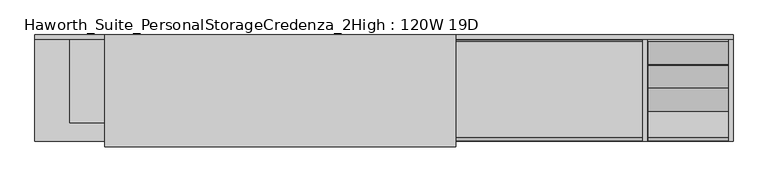
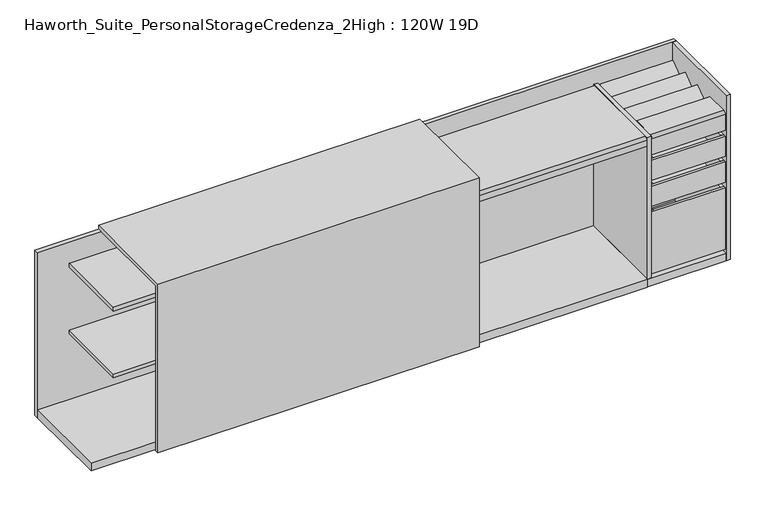
"""IFC4 building model written with IfcOpenShell, lengths in millimetres: furniture geometry, Haworth_Suite_PersonalStorageCredenza_2High : 120W 19D."""

from ifc_helpers import new_model, si_unit, point, frame, frame_2d, origin, origin_with_axes, place, context, project, spatial, polyline, circle_curve, trimmed, segment, composite_curve, outline, extrude, source, transform, mapped, element, save


def haworth_suite_personalstoragecredenza_2high_120w_19d_945271b1(model_context):
    return source(origin(), model_context, "Body", "SweptSolid", [
        extrude(outline(polyline([(1171.575, -582.6125), (1171.575, -201.6125), (1184.275, -201.6125), (1184.275, -582.6125), (1171.575, -582.6125)])), frame((0.0, 0.0, 527.05), z_axis=(0.0, 0.0, 1.0), x_axis=(1.0, 0.0, 0.0)), (0.0, 0.0, 1.0), 101.6),
        extrude(outline(polyline([(835.025, -201.6125), (847.725, -201.6125), (847.725, -582.6125), (835.025, -582.6125), (835.025, -201.6125)])), frame((0.0, 0.0, 527.05), z_axis=(0.0, 0.0, 1.0), x_axis=(1.0, 0.0, 0.0)), (0.0, 0.0, 1.0), 101.6),
        extrude(outline(polyline([(835.025, -201.6125), (835.025, -188.9125), (1184.275, -188.9125), (1184.275, -201.6125), (835.025, -201.6125)])), frame((0.0, 0.0, 527.05), z_axis=(0.0, 0.0, 1.0), x_axis=(1.0, 0.0, 0.0)), (0.0, 0.0, 1.0), 101.6),
        extrude(outline(polyline([(835.025, -595.3125), (835.025, -582.6125), (1184.275, -582.6125), (1184.275, -595.3125), (835.025, -595.3125)])), frame((0.0, 0.0, 527.05), z_axis=(0.0, 0.0, 1.0), x_axis=(1.0, 0.0, 0.0)), (0.0, 0.0, 1.0), 101.6),
        extrude(outline(polyline([(847.725, -582.6125), (847.725, -201.6125), (1171.575, -201.6125), (1171.575, -582.6125), (847.725, -582.6125)])), frame((0.0, 0.0, 527.05), z_axis=(0.0, 0.0, 1.0), x_axis=(1.0, 0.0, 0.0)), (0.0, 0.0, 1.0), 12.7),
        extrude(outline(polyline([(-163.5125, 749.3), (-162.3785714, 748.1660714), (-263.9785714, 671.9660714), (-265.1125, 673.1), (-163.5125, 749.3)])), frame((835.025, 0.0, 0.0), z_axis=(1.0, 0.0, 0.0), x_axis=(0.0, 1.0, 0.0)), (0.0, 0.0, 1.0), 349.25),
        extrude(outline(polyline([(-366.7125, 749.3), (-365.5785714, 748.1660714), (-467.1785714, 671.9660714), (-468.3125, 673.1), (-366.7125, 749.3)])), frame((835.025, 0.0, 0.0), z_axis=(1.0, 0.0, 0.0), x_axis=(0.0, 1.0, 0.0)), (0.0, 0.0, 1.0), 349.25),
        extrude(outline(polyline([(0.0, -127.0), (0.0, 0.0), (349.25, 0.0), (349.25, -127.0), (0.0, -127.0)])), frame((835.025, -264.16, 748.03), z_axis=(0.0, -0.5999999999999731, 0.8000000000000203), x_axis=(1.0, 0.0, 0.0)), (0.0, 0.0, 1.0), 1.5875),
        extrude(outline(polyline([(835.025, -593.725), (835.025, -163.5125), (1184.275, -163.5125), (1184.275, -593.725), (835.025, -593.725)])), frame((0.0, 0.0, 657.225), z_axis=(0.0, 0.0, 1.0), x_axis=(1.0, 0.0, 0.0)), (0.0, 0.0, 1.0), 15.875),
        extrude(outline(composite_curve([segment(trimmed(circle_curve(frame_2d((-582.6125, 738.1875)), 12.7), [point((-595.3125, 738.1875))], [point((-582.6125, 750.8875))], False, "CARTESIAN"), True, "CONTINUOUS"), segment(polyline([(-582.6125, 750.8875), (-468.3125, 750.8875), (-468.3125, 749.3), (-582.6125, 749.3)]), True, "CONTINUOUS"), segment(trimmed(circle_curve(frame_2d((-582.6125, 738.1875)), 11.1125), [point((-582.6125, 749.3))], [point((-593.725, 738.1875))], True, "CARTESIAN"), True, "CONTINUOUS"), segment(polyline([(-593.725, 738.1875), (-593.725, 657.225), (-595.3125, 657.225), (-595.3125, 738.1875)]), True, "CONTINUOUS")], self_intersect=False)), frame((835.025, 0.0, 0.0), z_axis=(1.0, 0.0, 0.0), x_axis=(0.0, 1.0, 0.0)), (0.0, 0.0, 1.0), 349.25),
        extrude(outline(polyline([(-304.4825, 720.725), (-304.4825, 479.425), (-153.9875, 479.425), (-153.9875, 504.825), (-152.4, 504.825), (-152.4, 477.8375), (-306.07, 477.8375), (-306.07, 719.1375), (-329.8825, 719.1375), (-329.8825, 720.725), (-304.4825, 720.725)])), frame((-314.325, 0.0, 0.0), z_axis=(1.0, 0.0, 0.0), x_axis=(0.0, 1.0, 0.0)), (0.0, 0.0, 1.0), 1123.95),
        extrude(outline(polyline([(-598.4875, 0.0), (-598.4875, 39.6875), (-152.4, 39.6875), (-152.4, 38.1), (-596.9, 38.1), (-596.9, 0.0), (-598.4875, 0.0)])), frame((-314.325, 0.0, 0.0), z_axis=(1.0, 0.0, 0.0), x_axis=(0.0, 1.0, 0.0)), (0.0, 0.0, 1.0), 1123.95),
        extrude(outline(composite_curve([segment(trimmed(circle_curve(frame_2d((-582.6125, 738.1875)), 12.7), [point((-595.3125, 738.1875))], [point((-582.6125, 750.8875))], False, "CARTESIAN"), True, "CONTINUOUS"), segment(polyline([(-582.6125, 750.8875), (-163.5125, 750.8875), (-163.5125, 749.3), (-582.6125, 749.3)]), True, "CONTINUOUS"), segment(trimmed(circle_curve(frame_2d((-582.6125, 738.1875)), 11.1125), [point((-582.6125, 749.3))], [point((-593.725, 738.1875))], True, "CARTESIAN"), True, "CONTINUOUS"), segment(polyline([(-593.725, 738.1875), (-593.725, 708.025), (-595.3125, 708.025), (-595.3125, 738.1875)]), True, "CONTINUOUS")], self_intersect=False)), frame((-314.325, 0.0, 0.0), z_axis=(1.0, 0.0, 0.0), x_axis=(0.0, 1.0, 0.0)), (0.0, 0.0, 1.0), 1123.95),
        extrude(outline(polyline([(1171.575, -582.6125), (1171.575, -201.6125), (1184.275, -201.6125), (1184.275, -582.6125), (1171.575, -582.6125)])), frame((0.0, 0.0, 396.875), z_axis=(0.0, 0.0, 1.0), x_axis=(1.0, 0.0, 0.0)), (0.0, 0.0, 1.0), 101.6),
        extrude(outline(polyline([(835.025, -201.6125), (847.725, -201.6125), (847.725, -582.6125), (835.025, -582.6125), (835.025, -201.6125)])), frame((0.0, 0.0, 396.875), z_axis=(0.0, 0.0, 1.0), x_axis=(1.0, 0.0, 0.0)), (0.0, 0.0, 1.0), 101.6),
        extrude(outline(polyline([(835.025, -201.6125), (835.025, -188.9125), (1184.275, -188.9125), (1184.275, -201.6125), (835.025, -201.6125)])), frame((0.0, 0.0, 396.875), z_axis=(0.0, 0.0, 1.0), x_axis=(1.0, 0.0, 0.0)), (0.0, 0.0, 1.0), 101.6),
        extrude(outline(polyline([(835.025, -595.3125), (835.025, -582.6125), (1184.275, -582.6125), (1184.275, -595.3125), (835.025, -595.3125)])), frame((0.0, 0.0, 396.875), z_axis=(0.0, 0.0, 1.0), x_axis=(1.0, 0.0, 0.0)), (0.0, 0.0, 1.0), 101.6),
        extrude(outline(polyline([(847.725, -582.6125), (847.725, -201.6125), (1171.575, -201.6125), (1171.575, -582.6125), (847.725, -582.6125)])), frame((0.0, 0.0, 396.875), z_axis=(0.0, 0.0, 1.0), x_axis=(1.0, 0.0, 0.0)), (0.0, 0.0, 1.0), 12.7),
        extrude(outline(polyline([(1171.575, -582.6125), (1171.575, -201.6125), (1184.275, -201.6125), (1184.275, -582.6125), (1171.575, -582.6125)])), frame((0.0, 0.0, 57.15), z_axis=(0.0, 0.0, 1.0), x_axis=(1.0, 0.0, 0.0)), (0.0, 0.0, 1.0), 311.15),
        extrude(outline(polyline([(835.025, -201.6125), (847.725, -201.6125), (847.725, -582.6125), (835.025, -582.6125), (835.025, -201.6125)])), frame((0.0, 0.0, 57.15), z_axis=(0.0, 0.0, 1.0), x_axis=(1.0, 0.0, 0.0)), (0.0, 0.0, 1.0), 311.15),
        extrude(outline(polyline([(835.025, -201.6125), (835.025, -188.9125), (1184.275, -188.9125), (1184.275, -201.6125), (835.025, -201.6125)])), frame((0.0, 0.0, 57.15), z_axis=(0.0, 0.0, 1.0), x_axis=(1.0, 0.0, 0.0)), (0.0, 0.0, 1.0), 311.15),
        extrude(outline(polyline([(835.025, -595.3125), (835.025, -582.6125), (1184.275, -582.6125), (1184.275, -595.3125), (835.025, -595.3125)])), frame((0.0, 0.0, 57.15), z_axis=(0.0, 0.0, 1.0), x_axis=(1.0, 0.0, 0.0)), (0.0, 0.0, 1.0), 311.15),
        extrude(outline(polyline([(847.725, -582.6125), (847.725, -201.6125), (1171.575, -201.6125), (1171.575, -582.6125), (847.725, -582.6125)])), frame((0.0, 0.0, 57.15), z_axis=(0.0, 0.0, 1.0), x_axis=(1.0, 0.0, 0.0)), (0.0, 0.0, 1.0), 12.7),
        extrude(outline(polyline([(-336.55, -152.4), (-336.55, -517.525), (-1689.1, -517.525), (-1689.1, -152.4), (-336.55, -152.4)])), frame((0.0, 0.0, 704.85), z_axis=(0.0, 0.0, 1.0), x_axis=(1.0, 0.0, 0.0)), (0.0, 0.0, 1.0), 19.05),
        extrude(outline(polyline([(-603.25, 0.0), (-622.3, 0.0), (-622.3, 850.9), (-133.35, 850.9), (-133.35, 831.85), (-603.25, 831.85), (-603.25, 0.0)])), frame((-1536.7, 0.0, 0.0), z_axis=(1.0, 0.0, 0.0), x_axis=(0.0, 1.0, 0.0)), (0.0, 0.0, 1.0), 1531.9375),
        extrude(outline(polyline([(831.85, -596.9), (812.8, -596.9), (812.8, -152.4), (831.85, -152.4), (831.85, -596.9)])), frame((0.0, 0.0, 38.1), z_axis=(0.0, 0.0, 1.0), x_axis=(1.0, 0.0, 0.0)), (0.0, 0.0, 1.0), 712.7875),
        extrude(outline(polyline([(-317.5, -596.9), (-336.55, -596.9), (-336.55, -152.4), (-317.5, -152.4), (-317.5, -596.9)])), frame((0.0, 0.0, 38.1), z_axis=(0.0, 0.0, 1.0), x_axis=(1.0, 0.0, 0.0)), (0.0, 0.0, 1.0), 793.75),
        extrude(outline(polyline([(-336.55, -152.4), (-336.55, -517.525), (-1689.1, -517.525), (-1689.1, -152.4), (-336.55, -152.4)])), frame((0.0, 0.0, 368.3), z_axis=(0.0, 0.0, 1.0), x_axis=(1.0, 0.0, 0.0)), (0.0, 0.0, 1.0), 19.05),
        extrude(outline(polyline([(1206.5, -133.35), (1206.5, -152.4), (-1841.5, -152.4), (-1841.5, -133.35), (1206.5, -133.35)])), origin_with_axes(), (0.0, 0.0, 1.0), 831.85),
        extrude(outline(polyline([(1187.45, -152.4), (1187.45, -596.9), (-1841.5, -596.9), (-1841.5, -152.4), (1187.45, -152.4)])), origin_with_axes(), (0.0, 0.0, 1.0), 38.1),
        extrude(outline(polyline([(1206.5, -596.9), (1187.45, -596.9), (1187.45, -152.4), (1206.5, -152.4), (1206.5, -596.9)])), origin_with_axes(), (0.0, 0.0, 1.0), 831.85),
    ])


if __name__ == "__main__":
    model = new_model("IFC4")
    model_context = context("Model", 3, world=origin())
    ifc_project = project(units=[si_unit("LENGTHUNIT", "METRE", prefix="MILLI")], contexts=[model_context])
    site = spatial("IfcSite", under=ifc_project)
    building = spatial("IfcBuilding", under=site)
    placement = place(None, origin())
    haworth_suite_personalstoragecredenza_2high_120w_19d_shape = haworth_suite_personalstoragecredenza_2high_120w_19d_945271b1(model_context)
    element("IfcFurniture", 1, ObjectType="Haworth_Suite_PersonalStorageCredenza_2High : 120W 19D", at=placement, inside=building, context=model_context, shape_type="MappedRepresentation", body=[
        mapped(haworth_suite_personalstoragecredenza_2high_120w_19d_shape, transform((0.0, 0.0, 0.0), x_axis=(1.0, 0.0, 0.0), y_axis=(0.0, 1.0, 0.0), z_axis=(0.0, 0.0, 1.0))),
    ])
    save(model, "model.ifc")
